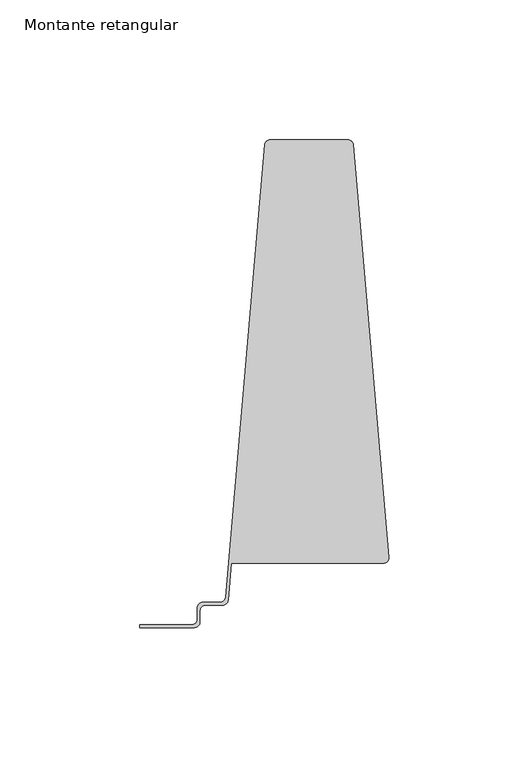
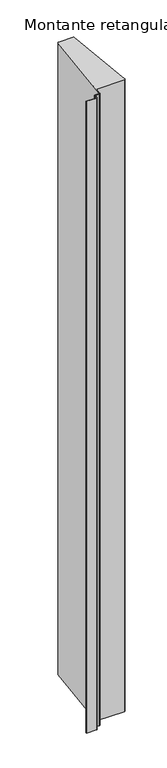
"""IFC4 building model written with IfcOpenShell, lengths in millimetres: member geometry, Montante retangular."""

from ifc_helpers import new_model, si_unit, point, frame, frame_2d, origin, place, context, project, spatial, polyline, circle_curve, trimmed, segment, composite_curve, outline, extrude, source, transform, mapped, element, save


def montante_retangular_29034257(model_context):
    return source(origin(), model_context, "Body", "SweptSolid", [
        extrude(outline(composite_curve([segment(trimmed(circle_curve(frame_2d((22.5, 10.9945725)), 2.0), [point((20.5, 10.9945725))], [point((22.5, 12.9945725))], False, "CARTESIAN"), True, "CONTINUOUS"), segment(polyline([(22.5, 12.9945725), (28.6655412, 12.9945725)]), True, "CONTINUOUS"), segment(trimmed(circle_curve(frame_2d((28.6655412, 14.9945725)), 2.0), [point((28.6655412, 12.9945725))], [point((30.6580998, 14.8222058))], True, "CARTESIAN"), True, "CONTINUOUS"), segment(polyline([(30.6580998, 14.8222058), (44.6510667, 176.5809039)]), True, "CONTINUOUS"), segment(trimmed(circle_curve(frame_2d((46.6436253, 176.4085372)), 2.0), [point((44.6510667, 176.5809039))], [point((46.6436253, 178.4085372))], False, "CARTESIAN"), True, "CONTINUOUS"), segment(polyline([(46.6436253, 178.4085372), (74.3587907, 178.4085372)]), True, "CONTINUOUS"), segment(trimmed(circle_curve(frame_2d((74.3587907, 176.4085372)), 2.0), [point((74.3587907, 178.4085372))], [point((76.3513493, 176.5809039))], False, "CARTESIAN"), True, "CONTINUOUS"), segment(polyline([(76.3513493, 176.5809039), (89.1003387, 29.2025865)]), True, "CONTINUOUS"), segment(trimmed(circle_curve(frame_2d((87.0750832, 29.0273914)), 2.032819), [point((89.1003387, 29.2025865))], [point((87.0750832, 26.9945725))], False, "CARTESIAN"), True, "CONTINUOUS"), segment(polyline([(87.0750832, 26.9945725), (32.7148073, 26.9945725), (31.5753292, 13.8222058)]), True, "CONTINUOUS"), segment(trimmed(circle_curve(frame_2d((29.5827706, 13.9945725)), 2.0), [point((31.5753292, 13.8222058))], [point((29.5827706, 11.9945725))], False, "CARTESIAN"), True, "CONTINUOUS"), segment(polyline([(29.5827706, 11.9945725), (23.5, 11.9945725)]), True, "CONTINUOUS"), segment(trimmed(circle_curve(frame_2d((23.5, 9.9945725)), 2.0), [point((23.5, 11.9945725))], [point((21.5, 9.9945725))], True, "CARTESIAN"), True, "CONTINUOUS"), segment(polyline([(21.5, 9.9945725), (21.5, 5.9945725)]), True, "CONTINUOUS"), segment(trimmed(circle_curve(frame_2d((19.5, 5.9945725)), 2.0), [point((21.5, 5.9945725))], [point((19.5, 3.9945725))], False, "CARTESIAN"), True, "CONTINUOUS"), segment(polyline([(19.5, 3.9945725), (0.0, 3.9945725), (0.0, 4.9945725), (18.5, 4.9945725)]), True, "CONTINUOUS"), segment(trimmed(circle_curve(frame_2d((18.5, 6.9945725)), 2.0), [point((18.5, 4.9945725))], [point((20.5, 6.9945725))], True, "CARTESIAN"), True, "CONTINUOUS"), segment(polyline([(20.5, 6.9945725), (20.5, 10.9945725)]), True, "CONTINUOUS")], self_intersect=False)), frame((0.0, 0.0, -1300.0), z_axis=(0.0, 0.0, 1.0), x_axis=(1.0, 0.0, 0.0)), (0.0, 0.0, 1.0), 1300.0),
    ])


if __name__ == "__main__":
    model = new_model("IFC4")
    model_context = context("Model", 3, world=origin())
    ifc_project = project(units=[si_unit("LENGTHUNIT", "METRE", prefix="MILLI")], contexts=[model_context])
    site = spatial("IfcSite", under=ifc_project)
    building = spatial("IfcBuilding", under=site)
    placement = place(None, origin())
    montante_retangular_shape = montante_retangular_29034257(model_context)
    element("IfcMember", 1, ObjectType="Montante retangular", at=placement, inside=building, context=model_context, shape_type="MappedRepresentation", body=[
        mapped(montante_retangular_shape, transform((0.0, 0.0, 0.0), x_axis=(1.0, 0.0, 0.0), y_axis=(0.0, 1.0, 0.0), z_axis=(0.0, 0.0, 1.0))),
    ])
    save(model, "model.ifc")
